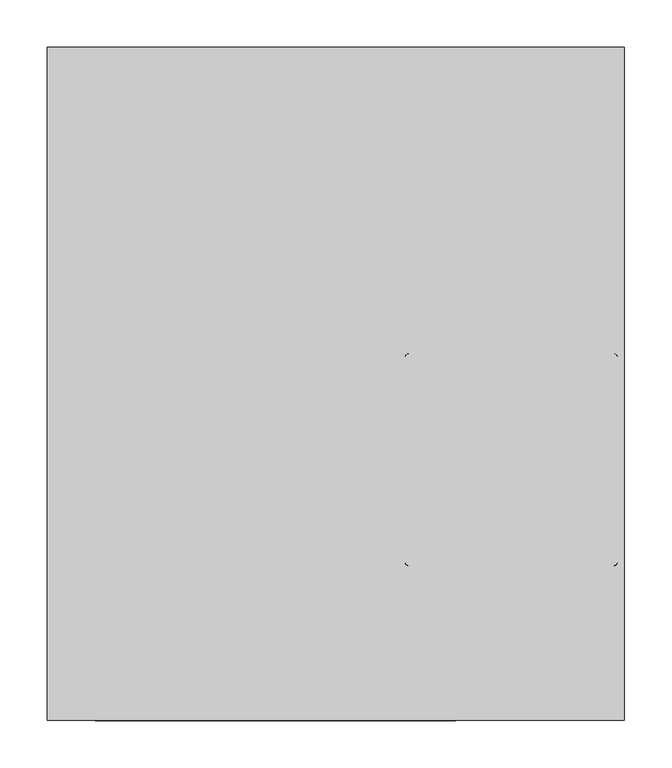
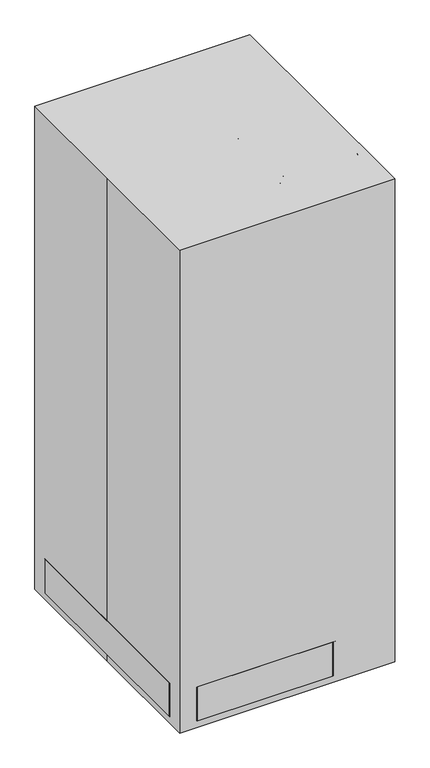
"""IFC4 building model written with IfcOpenShell, lengths in millimetres: proxy geometry."""

from ifc_helpers import new_model, si_unit, point, frame, frame_2d, origin, origin_with_axes, place, context, project, spatial, polyline, circle_curve, ellipse_curve, trimmed, segment, composite_curve, outline, extrude, source, transform, mapped, element, save
from ifc_brep_helpers import plane_surface, cylinder_surface, revolved_surface, advanced_brep


def specialty_equipment_cd6103de(model_context):
    return source(origin(), model_context, "Body", "SolidModel", [
        extrude(outline(polyline([(12.8462109, 171.45), (12.8462109, 165.1), (-152.2537891, 165.1), (-152.2537891, 171.45), (12.8462109, 171.45)])), frame((0.0, 0.0, 953.8161521), z_axis=(0.0, 0.0, 1.0), x_axis=(1.0, 0.0, 0.0)), (0.0, 0.0, 1.0), 127.0),
        extrude(outline(polyline([(152.4, -101.6), (209.55, -101.6), (209.55, -55.2125267), (152.4, -55.2125267), (152.4, -42.5125267), (222.25, -42.5125267), (222.25, -114.3), (152.4, -114.3), (152.4, -101.6)])), frame((0.0, 0.0, 812.8), z_axis=(0.0, 0.0, 1.0), x_axis=(1.0, 0.0, 0.0)), (0.0, 0.0, 1.0), 25.4),
        extrude(outline(polyline([(928.4161521, 38.2462109), (1106.2161521, 38.2462109), (1106.2161521, -177.6537891), (928.4161521, -177.6537891), (928.4161521, 38.2462109)]), holes=[polyline([(1080.8161521, -152.2537891), (1080.8161521, 12.8462109), (953.8161521, 12.8462109), (953.8161521, -152.2537891), (1080.8161521, -152.2537891)])]), frame((0.0, 165.1, 0.0), z_axis=(0.0, 1.0, 0.0), x_axis=(0.0, 0.0, 1.0)), (0.0, 0.0, 1.0), 6.35),
        extrude(outline(polyline([(421.0082083, 215.9), (421.0082083, 152.4), (281.3082083, 152.4), (344.8082083, 215.9), (421.0082083, 215.9)])), frame((0.0, -117.475, 0.0), z_axis=(0.0, 1.0, 0.0), x_axis=(0.0, 0.0, 1.0)), (0.0, 0.0, 1.0), 76.2),
        extrude(outline(composite_curve([segment(trimmed(circle_curve(frame_2d((555.4484832, 75.5254157)), 19.05), [point((555.4484832, 56.4754157))], [point((555.4484832, 94.5754157))], False, "CARTESIAN"), True, "CONTINUOUS"), segment(trimmed(circle_curve(frame_2d((555.4484832, 75.5254157)), 19.05), [point((555.4484832, 94.5754157))], [point((555.4484832, 56.4754157))], False, "CARTESIAN"), True, "CONTINUOUS")], self_intersect=False)), frame((0.0, 165.1, 0.0), z_axis=(0.0, 1.0, 0.0), x_axis=(0.0, 0.0, 1.0)), (0.0, 0.0, 1.0), 38.1),
        extrude(outline(composite_curve([segment(trimmed(circle_curve(frame_2d((555.4484832, 15.2004157)), 19.05), [point((555.4484832, -3.8495843))], [point((555.4484832, 34.2504157))], False, "CARTESIAN"), True, "CONTINUOUS"), segment(trimmed(circle_curve(frame_2d((555.4484832, 15.2004157)), 19.05), [point((555.4484832, 34.2504157))], [point((555.4484832, -3.8495843))], False, "CARTESIAN"), True, "CONTINUOUS")], self_intersect=False)), frame((0.0, 165.1, 0.0), z_axis=(0.0, 1.0, 0.0), x_axis=(0.0, 0.0, 1.0)), (0.0, 0.0, 1.0), 38.1),
        extrude(outline(composite_curve([segment(trimmed(circle_curve(frame_2d((555.4484832, -48.2995843)), 19.05), [point((555.4484832, -67.3495843))], [point((555.4484832, -29.2495843))], False, "CARTESIAN"), True, "CONTINUOUS"), segment(trimmed(circle_curve(frame_2d((555.4484832, -48.2995843)), 19.05), [point((555.4484832, -29.2495843))], [point((555.4484832, -67.3495843))], False, "CARTESIAN"), True, "CONTINUOUS")], self_intersect=False)), frame((0.0, 165.1, 0.0), z_axis=(0.0, 1.0, 0.0), x_axis=(0.0, 0.0, 1.0)), (0.0, 0.0, 1.0), 38.1),
        extrude(outline(composite_curve([segment(trimmed(circle_curve(frame_2d((555.4470563, -115.3669113)), 19.05), [point((555.4470563, -134.4169113))], [point((555.4470563, -96.3169113))], False, "CARTESIAN"), True, "CONTINUOUS"), segment(trimmed(circle_curve(frame_2d((555.4470563, -115.3669113)), 19.05), [point((555.4470563, -96.3169113))], [point((555.4470563, -134.4169113))], False, "CARTESIAN"), True, "CONTINUOUS")], self_intersect=False)), frame((0.0, 165.1, 0.0), z_axis=(0.0, 1.0, 0.0), x_axis=(0.0, 0.0, 1.0)), (0.0, 0.0, 1.0), 38.1),
        extrude(outline(polyline([(136.6593258, 165.1), (136.6593258, 127.0), (60.4593258, 127.0), (60.4593258, 165.1), (136.6593258, 165.1)])), frame((0.0, 0.0, 792.3608314), z_axis=(0.0, 0.0, 1.0), x_axis=(1.0, 0.0, 0.0)), (0.0, 0.0, 1.0), 38.1),
        extrude(outline(polyline([(36.523558, 165.1), (36.523558, 127.0), (-39.676442, 127.0), (-39.676442, 165.1), (36.523558, 165.1)])), frame((0.0, 0.0, 716.1608314), z_axis=(0.0, 0.0, 1.0), x_axis=(1.0, 0.0, 0.0)), (0.0, 0.0, 1.0), 114.3),
        extrude(outline(polyline([(-66.5406742, 165.1), (-66.5406742, 127.0), (-142.7406742, 127.0), (-142.7406742, 165.1), (-66.5406742, 165.1)])), frame((0.0, 0.0, 716.1608314), z_axis=(0.0, 0.0, 1.0), x_axis=(1.0, 0.0, 0.0)), (0.0, 0.0, 1.0), 114.3),
        extrude(outline(polyline([(-180.8406742, 165.1), (-180.8406742, 127.0), (-257.0406742, 127.0), (-257.0406742, 165.1), (-180.8406742, 165.1)])), frame((0.0, 0.0, 716.1608314), z_axis=(0.0, 0.0, 1.0), x_axis=(1.0, 0.0, 0.0)), (0.0, 0.0, 1.0), 38.1),
        extrude(outline(polyline([(-180.8406742, 165.1), (-180.8406742, 127.0), (-257.0406742, 127.0), (-257.0406742, 165.1), (-180.8406742, 165.1)])), frame((0.0, 0.0, 792.3608314), z_axis=(0.0, 0.0, 1.0), x_axis=(1.0, 0.0, 0.0)), (0.0, 0.0, 1.0), 38.1),
        extrude(outline(polyline([(140.5982906, 165.1), (140.5982906, 127.0), (-265.8017094, 127.0), (-265.8017094, 165.1), (140.5982906, 165.1)])), frame((0.0, 0.0, 446.4082083), z_axis=(0.0, 0.0, 1.0), x_axis=(1.0, 0.0, 0.0)), (0.0, 0.0, 1.0), 219.3819435),
        extrude(outline(polyline([(140.5982906, 165.1), (140.5982906, 127.0), (-265.8017094, 127.0), (-265.8017094, 165.1), (140.5982906, 165.1)])), frame((0.0, 0.0, 903.6082083), z_axis=(0.0, 0.0, 1.0), x_axis=(1.0, 0.0, 0.0)), (0.0, 0.0, 1.0), 219.3819435),
        extrude(outline(polyline([(140.5982906, 165.1), (140.5982906, 127.0), (-265.8017094, 127.0), (-265.8017094, 165.1), (140.5982906, 165.1)])), frame((0.0, 0.0, 132.3901517), z_axis=(0.0, 0.0, 1.0), x_axis=(1.0, 0.0, 0.0)), (0.0, 0.0, 1.0), 304.8),
        extrude(outline(polyline([(152.4, 127.0), (152.4, -279.4), (-279.4, -279.4), (-279.4, 127.0), (152.4, 127.0)])), frame((0.0, 0.0, 120.65), z_axis=(0.0, 0.0, 1.0), x_axis=(1.0, 0.0, 0.0)), (0.0, 0.0, 1.0), 1016.0),
        extrude(outline(composite_curve([segment(trimmed(circle_curve(frame_2d((185.3788167, -80.0577972)), 6.35), [point((179.0288167, -80.0577972))], [point((191.7288167, -80.0577972))], False, "CARTESIAN"), True, "CONTINUOUS"), segment(trimmed(circle_curve(frame_2d((185.3788167, -80.0577972)), 6.35), [point((191.7288167, -80.0577972))], [point((179.0288167, -80.0577972))], False, "CARTESIAN"), True, "CONTINUOUS")], self_intersect=False)), frame((0.0, 0.0, 1041.4), z_axis=(0.0, 0.0, 1.0), x_axis=(1.0, 0.0, 0.0)), (0.0, 0.0, 1.0), 388.3436057),
        advanced_brep(
        [(268.446484, -163.1254645, 1421.2516191), (264.5038206, -159.1828011, 1413.5291561), (276.9334178, -171.6123983, 1400.8374235), (280.8760812, -175.5550617, 1408.5598865), (284.1616341, -178.8406146, 1432.4577724), (284.1616341, -178.8406146, 1422.9327724), (86.5959994, 18.7250201, 1432.4577724), (86.5959994, 18.7250201, 1422.9327724), (93.8242157, 11.4968038, 1400.8374235), (89.8815523, 15.4394673, 1408.5598865), (102.3111494, 3.0098701, 1421.2516191), (106.2538129, -0.9327933, 1413.5291561)],
        [
            (0, 1, circle_curve(frame((266.4751523, -161.1541328, 1417.3903876), z_axis=(-0.5732919666883985, 0.5732919666884023, 0.5853824748496423), x_axis=(-0.41392791755394504, 0.41392791755394626, -0.8107572744902805)), 4.7625)),
            (1, 0, circle_curve(frame((266.4751523, -161.1541328, 1417.3903876), z_axis=(-0.5732919666883985, 0.5732919666884023, 0.5853824748496423), x_axis=(-0.41392791755394504, 0.41392791755394626, -0.8107572744902805)), 4.7625)),
            (1, 2),
            (2, 3, circle_curve(frame((278.9047495, -173.58373, 1404.698655), z_axis=(-0.5732919666883985, 0.5732919666884023, 0.5853824748496423), x_axis=(-0.41392791755394504, 0.41392791755394626, -0.8107572744902805)), 4.7625)),
            (3, 0),
            (3, 2, circle_curve(frame((278.9047495, -173.58373, 1404.698655), z_axis=(-0.5732919666883985, 0.5732919666884023, 0.5853824748496423), x_axis=(-0.41392791755394504, 0.41392791755394626, -0.8107572744902805)), 4.7625)),
            (4, 5, circle_curve(frame((284.1616341, -178.8406146, 1427.6952724), z_axis=(0.7071067811865466, -0.7071067811865487, 0.0), x_axis=(0.0, 0.0, 1.0)), 4.7625)),
            (5, 3, circle_curve(frame((284.1616341, -178.8406146, 1414.9952724), z_axis=(0.7071067811865489, 0.7071067811865462, 0.0), x_axis=(-0.413927917553943, 0.4139279175539444, -0.8107572744902825)), 7.9375)),
            (2, 4, circle_curve(frame((284.1616341, -178.8406146, 1414.9952724), z_axis=(-0.7071067811865489, -0.7071067811865462, 0.0), x_axis=(-0.413927917553943, 0.4139279175539444, -0.8107572744902825)), 17.4625)),
            (5, 4, circle_curve(frame((284.1616341, -178.8406146, 1427.6952724), z_axis=(0.7071067811865465, -0.7071067811865486, 0.0), x_axis=(0.0, 0.0, 1.0)), 4.7625)),
            (4, 6),
            (6, 7, circle_curve(frame((86.5959994, 18.7250201, 1427.6952724), z_axis=(0.7071067811865464, -0.7071067811865488, 0.0), x_axis=(0.0, 0.0, 1.0)), 4.7625)),
            (7, 5),
            (7, 6, circle_curve(frame((86.5959994, 18.7250201, 1427.6952724), z_axis=(0.7071067811865464, -0.7071067811865488, 0.0), x_axis=(0.0, 0.0, 1.0)), 4.7625)),
            (8, 9, circle_curve(frame((91.852884, 13.4681356, 1404.698655), z_axis=(-0.5732919666879012, 0.5732919666879037, -0.5853824748506176), x_axis=(0.41392791755463426, -0.4139279175546363, -0.8107572744895761)), 4.7625)),
            (9, 7, circle_curve(frame((86.5959994, 18.7250201, 1414.9952724), z_axis=(0.7071067811865489, 0.7071067811865462, 0.0), x_axis=(0.0, 0.0, 1.0)), 7.9375)),
            (6, 8, circle_curve(frame((86.5959994, 18.7250201, 1414.9952724), z_axis=(-0.7071067811865489, -0.7071067811865462, 0.0), x_axis=(0.0, 0.0, 1.0)), 17.4625)),
            (9, 8, circle_curve(frame((91.852884, 13.4681356, 1404.698655), z_axis=(-0.5732919666886345, 0.573291966688637, -0.5853824748491814), x_axis=(0.41392791755361874, -0.4139279175536208, -0.8107572744906132)), 4.7625)),
            (10, 11, circle_curve(frame((104.2824812, 1.0385384, 1417.3903876), z_axis=(0.5732919666881265, -0.57329196668813, 0.5853824748501754), x_axis=(0.4139279175543215, -0.4139279175543237, -0.8107572744898957)), 4.7625)),
            (11, 10, circle_curve(frame((104.2824812, 1.0385384, 1417.3903876), z_axis=(0.5732919666881265, -0.57329196668813, 0.5853824748501754), x_axis=(0.4139279175543215, -0.4139279175543237, -0.8107572744898957)), 4.7625)),
            (8, 11),
            (10, 9),
        ],
        [
            plane_surface(frame((455.0605309, 27.4312457, 1417.3903876), z_axis=(-0.5732919666883985, 0.5732919666884023, 0.5853824748496423), x_axis=(-0.7071067811865496, -0.7071067811865456, 0.0))),
            cylinder_surface(frame((266.4751523, -161.1541328, 1417.3903876), z_axis=(-0.5732919666883985, 0.5732919666884023, 0.5853824748496423), x_axis=(-0.41392791755394504, 0.41392791755394626, -0.8107572744902805)), 4.7625),
            revolved_surface(trimmed(ellipse_curve(frame((278.9047495, -173.58373, 1404.698655), z_axis=(0.5732919666884007, -0.5732919666884032, -0.5853824748496393), x_axis=(-0.4139279175539432, 0.413927917553944, -0.8107572744902826)), 4.7625, 4.7625), [point((280.8760812, -175.5550617, 1408.5598865))], [point((276.9334178, -171.6123983, 1400.8374235))], True, "CARTESIAN"), (472.7470126, 9.744764, 1414.9952724), (0.7071067811865489, 0.7071067811865462, 0.0)),
            revolved_surface(trimmed(ellipse_curve(frame((278.9047495, -173.58373, 1404.698655), z_axis=(0.5732919666884007, -0.5732919666884032, -0.5853824748496393), x_axis=(-0.4139279175539432, 0.413927917553944, -0.8107572744902826)), 4.7625, 4.7625), [point((276.9334178, -171.6123983, 1400.8374235))], [point((280.8760812, -175.5550617, 1408.5598865))], True, "CARTESIAN"), (472.7470126, 9.744764, 1414.9952724), (0.7071067811865489, 0.7071067811865462, 0.0)),
            cylinder_surface(frame((284.1616341, -178.8406146, 1427.6952724), z_axis=(0.7071067811865464, -0.7071067811865488, 0.0), x_axis=(0.0, 0.0, 1.0)), 4.7625),
            revolved_surface(trimmed(ellipse_curve(frame((86.5959994, 18.7250201, 1427.6952724), z_axis=(-0.7071067811865465, 0.7071067811865487, 0.0), x_axis=(0.0, 0.0, 1.0)), 4.7625, 4.7625), [point((86.5959994, 18.7250201, 1422.9327724))], [point((86.5959994, 18.7250201, 1432.4577724))], True, "CARTESIAN"), (275.181378, 207.3103986, 1414.9952724), (0.7071067811865489, 0.7071067811865462, 0.0)),
            revolved_surface(trimmed(ellipse_curve(frame((86.5959994, 18.7250201, 1427.6952724), z_axis=(-0.7071067811865465, 0.7071067811865487, 0.0), x_axis=(0.0, 0.0, 1.0)), 4.7625, 4.7625), [point((86.5959994, 18.7250201, 1432.4577724))], [point((86.5959994, 18.7250201, 1422.9327724))], True, "CARTESIAN"), (275.181378, 207.3103986, 1414.9952724), (0.7071067811865489, 0.7071067811865462, 0.0)),
            plane_surface(frame((292.8678597, 189.6239169, 1417.3903876), z_axis=(0.5732919666881265, -0.5732919666881301, 0.5853824748501755), x_axis=(-0.7071067811865495, -0.7071067811865457, 0.0))),
            cylinder_surface(frame((91.852884, 13.4681356, 1404.698655), z_axis=(-0.5732919666881267, 0.5732919666881301, -0.5853824748501755), x_axis=(0.4139279175543215, -0.4139279175543237, -0.8107572744898957)), 4.7625),
        ],
        [
            (0, [[1, 2]]),
            (1, [[3, 4, 5, -2]]),
            (1, [[-5, 6, -3, -1]]),
            (2, [[7, 8, -4, 9]]),
            (3, [[10, -9, -6, -8]]),
            (4, [[11, 12, 13, -7]]),
            (4, [[-13, 14, -11, -10]]),
            (5, [[15, 16, -12, 17]]),
            (6, [[18, -17, -14, -16]]),
            (7, [[19, 20]]),
            (8, [[21, -19, 22, -15]]),
            (8, [[-22, -20, -21, -18]]),
        ],
    ),
        advanced_brep(
        [(102.3111494, -163.1254645, 1421.2516191), (106.2538129, -159.1828011, 1413.5291561), (93.8242157, -171.6123983, 1400.8374235), (89.8815523, -175.5550617, 1408.5598865), (86.5959994, -178.8406146, 1432.4577724), (86.5959994, -178.8406146, 1422.9327724), (284.1616341, 18.7250201, 1432.4577724), (284.1616341, 18.7250201, 1422.9327724), (276.9334178, 11.4968038, 1400.8374235), (280.8760812, 15.4394673, 1408.5598865), (268.446484, 3.0098701, 1421.2516191), (264.5038206, -0.9327933, 1413.5291561)],
        [
            (0, 1, circle_curve(frame((104.2824812, -161.1541328, 1417.3903876), z_axis=(0.5732919666884055, 0.5732919666884047, 0.5853824748496331), x_axis=(0.41392791755393954, 0.4139279175539388, -0.8107572744902871)), 4.7625)),
            (1, 0, circle_curve(frame((104.2824812, -161.1541328, 1417.3903876), z_axis=(0.5732919666884055, 0.5732919666884047, 0.5853824748496331), x_axis=(0.41392791755393954, 0.4139279175539388, -0.8107572744902871)), 4.7625)),
            (1, 2),
            (2, 3, circle_curve(frame((91.852884, -173.58373, 1404.698655), z_axis=(0.5732919666884055, 0.5732919666884047, 0.5853824748496331), x_axis=(0.41392791755393954, 0.4139279175539388, -0.8107572744902871)), 4.7625)),
            (3, 0),
            (3, 2, circle_curve(frame((91.852884, -173.58373, 1404.698655), z_axis=(0.5732919666884055, 0.5732919666884047, 0.5853824748496331), x_axis=(0.41392791755393954, 0.4139279175539388, -0.8107572744902871)), 4.7625)),
            (4, 5, circle_curve(frame((86.5959994, -178.8406146, 1427.6952724), z_axis=(-0.7071067811865482, -0.7071067811865467, 0.0), x_axis=(0.0, 0.0, 1.0)), 4.7625)),
            (5, 3, circle_curve(frame((86.5959994, -178.8406146, 1414.9952724), z_axis=(0.7071067811865469, -0.7071067811865482, 0.0), x_axis=(0.41392791755393793, 0.41392791755393726, -0.8107572744902887)), 7.9375)),
            (2, 4, circle_curve(frame((86.5959994, -178.8406146, 1414.9952724), z_axis=(-0.7071067811865469, 0.7071067811865482, 0.0), x_axis=(0.41392791755393793, 0.41392791755393726, -0.8107572744902887)), 17.4625)),
            (5, 4, circle_curve(frame((86.5959994, -178.8406146, 1427.6952724), z_axis=(-0.7071067811865482, -0.7071067811865468, 0.0), x_axis=(0.0, 0.0, 1.0)), 4.7625)),
            (4, 6),
            (6, 7, circle_curve(frame((284.1616341, 18.7250201, 1427.6952724), z_axis=(-0.7071067811865485, -0.7071067811865468, 0.0), x_axis=(0.0, 0.0, 1.0)), 4.7625)),
            (7, 5),
            (7, 6, circle_curve(frame((284.1616341, 18.7250201, 1427.6952724), z_axis=(-0.7071067811865485, -0.7071067811865468, 0.0), x_axis=(0.0, 0.0, 1.0)), 4.7625)),
            (8, 9, circle_curve(frame((278.9047495, 13.4681356, 1404.698655), z_axis=(0.5732919666881348, 0.5732919666881339, -0.5853824748501636), x_axis=(-0.4139279175543147, -0.41392791755431396, -0.8107572744899041)), 4.7625)),
            (9, 7, circle_curve(frame((284.1616341, 18.7250201, 1414.9952724), z_axis=(0.7071067811865469, -0.7071067811865482, 0.0), x_axis=(0.0, 0.0, 1.0)), 7.9375)),
            (6, 8, circle_curve(frame((284.1616341, 18.7250201, 1414.9952724), z_axis=(-0.7071067811865469, 0.7071067811865482, 0.0), x_axis=(0.0, 0.0, 1.0)), 17.4625)),
            (9, 8, circle_curve(frame((278.9047495, 13.4681356, 1404.698655), z_axis=(0.573291966688139, 0.5732919666881381, -0.5853824748501553), x_axis=(-0.41392791755430874, -0.413927917554308, -0.8107572744899101)), 4.7625)),
            (10, 11, circle_curve(frame((266.4751523, 1.0385384, 1417.3903876), z_axis=(-0.573291966688132, -0.5732919666881312, 0.5853824748501687), x_axis=(-0.4139279175543183, -0.4139279175543175, -0.8107572744899004)), 4.7625)),
            (11, 10, circle_curve(frame((266.4751523, 1.0385384, 1417.3903876), z_axis=(-0.573291966688132, -0.5732919666881312, 0.5853824748501687), x_axis=(-0.4139279175543183, -0.4139279175543175, -0.8107572744899004)), 4.7625)),
            (8, 11),
            (10, 9),
        ],
        [
            plane_surface(frame((256.9468352, -313.8184869, 1417.3903876), z_axis=(0.5732919666884055, 0.5732919666884047, 0.5853824748496331), x_axis=(-0.7071067811865469, 0.7071067811865481, 0.0))),
            cylinder_surface(frame((104.2824812, -161.1541328, 1417.3903876), z_axis=(0.5732919666884055, 0.5732919666884047, 0.5853824748496331), x_axis=(0.41392791755393954, 0.4139279175539388, -0.8107572744902871)), 4.7625),
            revolved_surface(trimmed(ellipse_curve(frame((91.852884, -173.58373, 1404.698655), z_axis=(-0.5732919666884068, -0.5732919666884059, -0.5853824748496308), x_axis=(0.4139279175539379, 0.4139279175539371, -0.8107572744902888)), 4.7625, 4.7625), [point((89.8815523, -175.5550617, 1408.5598865))], [point((93.8242157, -171.6123983, 1400.8374235))], True, "CARTESIAN"), (239.2603535, -331.5049686, 1414.9952724), (0.7071067811865469, -0.7071067811865482, 0.0)),
            revolved_surface(trimmed(ellipse_curve(frame((91.852884, -173.58373, 1404.698655), z_axis=(-0.5732919666884068, -0.5732919666884059, -0.5853824748496308), x_axis=(0.4139279175539379, 0.4139279175539371, -0.8107572744902888)), 4.7625, 4.7625), [point((93.8242157, -171.6123983, 1400.8374235))], [point((89.8815523, -175.5550617, 1408.5598865))], True, "CARTESIAN"), (239.2603535, -331.5049686, 1414.9952724), (0.7071067811865469, -0.7071067811865482, 0.0)),
            cylinder_surface(frame((86.5959994, -178.8406146, 1427.6952724), z_axis=(-0.7071067811865485, -0.7071067811865468, 0.0), x_axis=(0.0, 0.0, 1.0)), 4.7625),
            revolved_surface(trimmed(ellipse_curve(frame((284.1616341, 18.7250201, 1427.6952724), z_axis=(0.7071067811865483, 0.7071067811865468, 0.0), x_axis=(0.0, 0.0, 1.0)), 4.7625, 4.7625), [point((284.1616341, 18.7250201, 1422.9327724))], [point((284.1616341, 18.7250201, 1432.4577724))], True, "CARTESIAN"), (436.8259881, -133.939334, 1414.9952724), (0.7071067811865469, -0.7071067811865482, 0.0)),
            revolved_surface(trimmed(ellipse_curve(frame((284.1616341, 18.7250201, 1427.6952724), z_axis=(0.7071067811865483, 0.7071067811865468, 0.0), x_axis=(0.0, 0.0, 1.0)), 4.7625, 4.7625), [point((284.1616341, 18.7250201, 1432.4577724))], [point((284.1616341, 18.7250201, 1422.9327724))], True, "CARTESIAN"), (436.8259881, -133.939334, 1414.9952724), (0.7071067811865469, -0.7071067811865482, 0.0)),
            plane_surface(frame((419.1395064, -151.6258157, 1417.3903876), z_axis=(-0.5732919666881322, -0.5732919666881313, 0.5853824748501685), x_axis=(-0.707106781186547, 0.7071067811865481, 0.0))),
            cylinder_surface(frame((278.9047495, 13.4681356, 1404.698655), z_axis=(0.5732919666881321, 0.5732919666881313, -0.5853824748501688), x_axis=(-0.4139279175543183, -0.4139279175543175, -0.8107572744899004)), 4.7625),
        ],
        [
            (0, [[1, 2]]),
            (1, [[3, 4, 5, -2]]),
            (1, [[-5, 6, -3, -1]]),
            (2, [[7, 8, -4, 9]]),
            (3, [[10, -9, -6, -8]]),
            (4, [[11, 12, 13, -7]]),
            (4, [[-13, 14, -11, -10]]),
            (5, [[15, 16, -12, 17]]),
            (6, [[18, -17, -14, -16]]),
            (7, [[19, 20]]),
            (8, [[21, -19, 22, -15]]),
            (8, [[-22, -20, -21, -18]]),
        ],
    ),
        extrude(outline(composite_curve([segment(trimmed(circle_curve(frame_2d((185.3788167, -80.0577972)), 12.7), [point((172.6788167, -80.0577972))], [point((198.0788167, -80.0577972))], False, "CARTESIAN"), True, "CONTINUOUS"), segment(trimmed(circle_curve(frame_2d((185.3788167, -80.0577972)), 12.7), [point((198.0788167, -80.0577972))], [point((172.6788167, -80.0577972))], False, "CARTESIAN"), True, "CONTINUOUS")], self_intersect=False)), frame((0.0, 0.0, 421.0082083), z_axis=(0.0, 0.0, 1.0), x_axis=(1.0, 0.0, 0.0)), (0.0, 0.0, 1.0), 620.3917917),
        extrude(outline(composite_curve([segment(polyline([(127.0, -355.6), (-254.0, -355.6)]), True, "CONTINUOUS"), segment(trimmed(circle_curve(frame_2d((-254.0, -304.8)), 50.8), [point((-254.0, -355.6))], [point((-304.8, -304.8))], False, "CARTESIAN"), True, "CONTINUOUS"), segment(polyline([(-304.8, -304.8), (-304.8, 304.8)]), True, "CONTINUOUS"), segment(trimmed(circle_curve(frame_2d((-254.0, 304.8)), 50.8), [point((-304.8, 304.8))], [point((-254.0, 355.6))], False, "CARTESIAN"), True, "CONTINUOUS"), segment(polyline([(-254.0, 355.6), (127.0, 355.6)]), True, "CONTINUOUS"), segment(trimmed(circle_curve(frame_2d((127.0, 304.8)), 50.8), [point((127.0, 355.6))], [point((177.8, 304.8))], False, "CARTESIAN"), True, "CONTINUOUS"), segment(polyline([(177.8, 304.8), (177.8, -304.8)]), True, "CONTINUOUS"), segment(trimmed(circle_curve(frame_2d((127.0, -304.8)), 50.8), [point((177.8, -304.8))], [point((127.0, -355.6))], False, "CARTESIAN"), True, "CONTINUOUS")], self_intersect=False)), frame((0.0, 0.0, 19.05), z_axis=(0.0, 0.0, 1.0), x_axis=(1.0, 0.0, 0.0)), (0.0, 0.0, 1.0), 101.6),
        extrude(outline(composite_curve([segment(trimmed(circle_curve(frame_2d((126.5819236, 288.1244095)), 38.1), [point((88.4819236, 288.1244095))], [point((164.6819236, 288.1244095))], False, "CARTESIAN"), True, "CONTINUOUS"), segment(trimmed(circle_curve(frame_2d((126.5819236, 288.1244095)), 38.1), [point((164.6819236, 288.1244095))], [point((88.4819236, 288.1244095))], False, "CARTESIAN"), True, "CONTINUOUS")], self_intersect=False)), origin_with_axes(), (0.0, 0.0, 1.0), 19.05),
        extrude(outline(composite_curve([segment(trimmed(circle_curve(frame_2d((126.5819236, -289.7255905)), 38.1), [point((88.4819236, -289.7255905))], [point((164.6819236, -289.7255905))], False, "CARTESIAN"), True, "CONTINUOUS"), segment(trimmed(circle_curve(frame_2d((126.5819236, -289.7255905)), 38.1), [point((164.6819236, -289.7255905))], [point((88.4819236, -289.7255905))], False, "CARTESIAN"), True, "CONTINUOUS")], self_intersect=False)), origin_with_axes(), (0.0, 0.0, 1.0), 19.05),
        extrude(outline(composite_curve([segment(trimmed(circle_curve(frame_2d((-248.0680764, 288.1244095)), 38.1), [point((-286.1680764, 288.1244095))], [point((-209.9680764, 288.1244095))], False, "CARTESIAN"), True, "CONTINUOUS"), segment(trimmed(circle_curve(frame_2d((-248.0680764, 288.1244095)), 38.1), [point((-209.9680764, 288.1244095))], [point((-286.1680764, 288.1244095))], False, "CARTESIAN"), True, "CONTINUOUS")], self_intersect=False)), origin_with_axes(), (0.0, 0.0, 1.0), 19.05),
        extrude(outline(composite_curve([segment(trimmed(circle_curve(frame_2d((-248.0680764, -289.7255905)), 38.1), [point((-286.1680764, -289.7255905))], [point((-209.9680764, -289.7255905))], False, "CARTESIAN"), True, "CONTINUOUS"), segment(trimmed(circle_curve(frame_2d((-248.0680764, -289.7255905)), 38.1), [point((-209.9680764, -289.7255905))], [point((-286.1680764, -289.7255905))], False, "CARTESIAN"), True, "CONTINUOUS")], self_intersect=False)), origin_with_axes(), (0.0, 0.0, 1.0), 19.05),
        extrude(outline(polyline([(-304.8, -355.6), (-304.8, 0.0), (-304.8, 355.6), (304.8, 355.6), (304.8, -355.6), (-304.8, -355.6)])), origin_with_axes(), (0.0, 0.0, 1.0), 1447.8),
    ])


if __name__ == "__main__":
    model = new_model("IFC4")
    model_context = context("Model", 3, world=origin())
    ifc_project = project(units=[si_unit("LENGTHUNIT", "METRE", prefix="MILLI")], contexts=[model_context])
    site = spatial("IfcSite", under=ifc_project)
    building = spatial("IfcBuilding", under=site)
    placement = place(None, origin())
    specialty_equipment_shape = specialty_equipment_cd6103de(model_context)
    element("IfcBuildingElementProxy", 1, Name="Specialty Equipment", at=placement, inside=building, context=model_context, shape_type="MappedRepresentation", body=[
        mapped(specialty_equipment_shape, transform((0.0, 0.0, 0.0), x_axis=(1.0, 0.0, 0.0), y_axis=(0.0, 1.0, 0.0), z_axis=(0.0, 0.0, 1.0))),
    ])
    save(model, "model.ifc")
